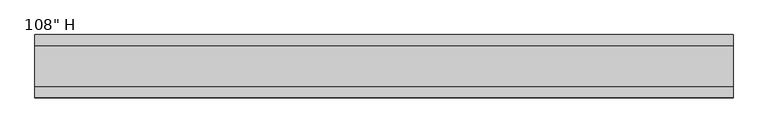
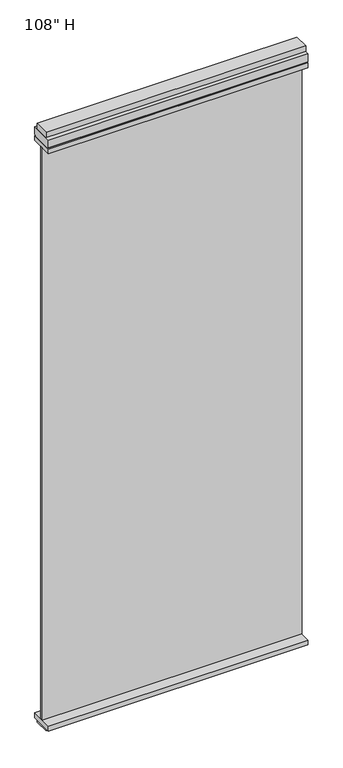
"""IFC4 building model written with IfcOpenShell, lengths in millimetres: furniture geometry."""

from ifc_helpers import new_model, si_unit, frame, origin, origin_with_axes, place, context, project, spatial, polyline, outline, extrude, source, transform, mapped, element, save


def furniture_110522d3(model_context):
    return source(origin(), model_context, "Body", "SweptSolid", [
        extrude(outline(polyline([(456.6629771, 9.5977216), (456.6629771, -0.5622784), (-670.4620229, -0.5622784), (-670.4620229, 9.5977216), (456.6629771, 9.5977216)])), frame((0.0, 0.0, 31.75), z_axis=(0.0, 0.0, 1.0), x_axis=(1.0, 0.0, 0.0)), (0.0, 0.0, 1.0), 2622.55),
        extrude(outline(polyline([(-670.4620229, 55.3177216), (456.6629771, 55.3177216), (456.6629771, -46.2822784), (-670.4620229, -46.2822784), (-670.4620229, 55.3177216)])), frame((0.0, 0.0, 9.525), z_axis=(0.0, 0.0, 1.0), x_axis=(1.0, 0.0, 0.0)), (0.0, 0.0, 1.0), 22.225),
        extrude(outline(polyline([(456.6629771, -28.1847784), (-670.4620229, -28.1847784), (-670.4620229, 37.2202216), (456.6629771, 37.2202216), (456.6629771, -28.1847784)])), origin_with_axes(), (0.0, 0.0, 1.0), 9.525),
        extrude(outline(polyline([(-670.4620229, 37.0297216), (456.6629771, 37.0297216), (456.6629771, -27.9942784), (-670.4620229, -27.9942784), (-670.4620229, 37.0297216)])), frame((0.0, 0.0, 2717.8), z_axis=(0.0, 0.0, 1.0), x_axis=(1.0, 0.0, 0.0)), (0.0, 0.0, 1.0), 25.4),
        extrude(outline(polyline([(55.3177216, 2681.478), (50.3647216, 2681.478), (50.3647216, 2676.525), (-41.3292784, 2676.525), (-41.3292784, 2681.478), (-46.2822784, 2681.478), (-46.2822784, 2717.8), (55.3177216, 2717.8), (55.3177216, 2681.478)])), frame((-670.4620229, 0.0, 0.0), z_axis=(1.0, 0.0, 0.0), x_axis=(0.0, 1.0, 0.0)), (0.0, 0.0, 1.0), 1127.125),
        extrude(outline(polyline([(456.6629771, -46.2822784), (-670.4620229, -46.2822784), (-670.4620229, 55.3177216), (456.6629771, 55.3177216), (456.6629771, -46.2822784)])), frame((0.0, 0.0, 2654.3), z_axis=(0.0, 0.0, 1.0), x_axis=(1.0, 0.0, 0.0)), (0.0, 0.0, 1.0), 22.225),
    ])


if __name__ == "__main__":
    model = new_model("IFC4")
    model_context = context("Model", 3, world=origin())
    ifc_project = project(units=[si_unit("LENGTHUNIT", "METRE", prefix="MILLI")], contexts=[model_context])
    site = spatial("IfcSite", under=ifc_project)
    building = spatial("IfcBuilding", under=site)
    placement = place(None, origin())
    furniture_shape = furniture_110522d3(model_context)
    element("IfcFurniture", 1, ObjectType="108\" H", at=placement, inside=building, context=model_context, shape_type="MappedRepresentation", body=[
        mapped(furniture_shape, transform((0.0, 0.0, 0.0), x_axis=(1.0, 0.0, 0.0), y_axis=(0.0, 1.0, 0.0), z_axis=(0.0, 0.0, 1.0))),
    ])
    save(model, "model.ifc")
